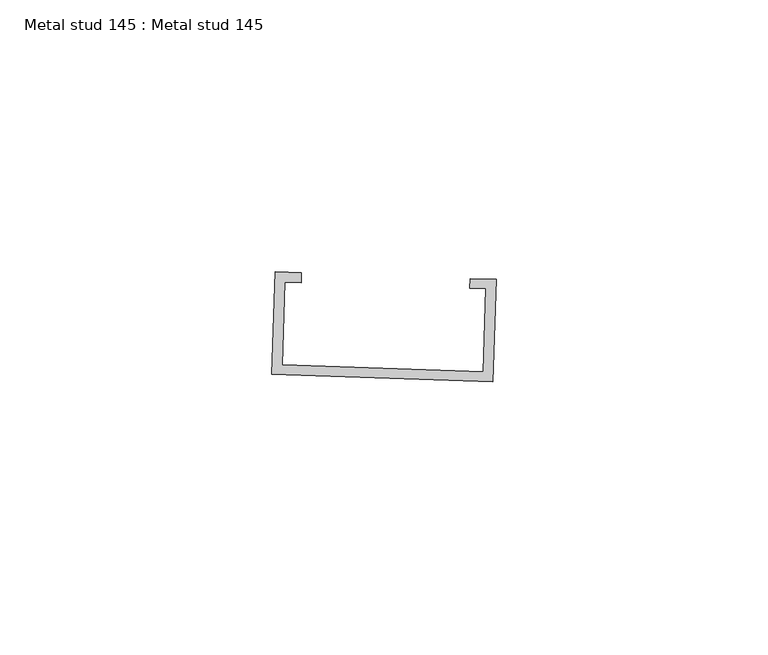
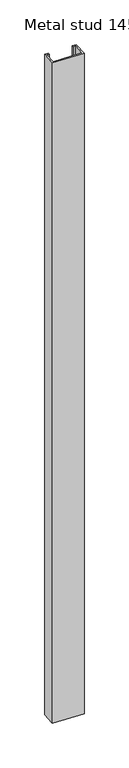
"""IFC4 building model written with IfcOpenShell, lengths in millimetres: proxy geometry, Metal stud 145 : Metal stud 145."""

from ifc_helpers import new_model, si_unit, frame, origin, place, context, project, spatial, polyline, outline, extrude, source, transform, mapped, element, save


def metal_stud_145_metal_stud_145_9f0a7d8d(model_context):
    return source(origin(), model_context, "Body", "SweptSolid", [
        extrude(outline(polyline([(34556.4781621, -15573.7378623), (34557.1227855, -15554.9012329), (34561.9188061, -15555.0653614), (34561.8564813, -15556.8865609), (34558.8816603, -15556.7847572), (34558.3616863, -15571.9789876), (34595.3166156, -15573.2436519), (34595.8365896, -15558.0494215), (34592.8617685, -15557.9476178), (34592.9240932, -15556.1264182), (34597.7201138, -15556.2905467), (34597.0754904, -15575.1271761), (34556.4781621, -15573.7378623)])), frame((0.0, 0.0, 1597.975708), z_axis=(0.0, 0.0, 1.0), x_axis=(1.0, 0.0, 0.0)), (0.0, 0.0, 1.0), 914.4),
    ])


if __name__ == "__main__":
    model = new_model("IFC4")
    model_context = context("Model", 3, world=origin())
    ifc_project = project(units=[si_unit("LENGTHUNIT", "METRE", prefix="MILLI")], contexts=[model_context])
    site = spatial("IfcSite", under=ifc_project)
    building = spatial("IfcBuilding", under=site)
    placement = place(None, origin())
    metal_stud_145_metal_stud_145_shape = metal_stud_145_metal_stud_145_9f0a7d8d(model_context)
    element("IfcBuildingElementProxy", 1, Name="Metal stud 145 : Metal stud 145", ObjectType="Metal stud 145 : Metal stud 145", at=placement, inside=building, context=model_context, shape_type="MappedRepresentation", body=[
        mapped(metal_stud_145_metal_stud_145_shape, transform((0.0, 0.0, 0.0), x_axis=(1.0, 0.0, 0.0), y_axis=(0.0, 1.0, 0.0), z_axis=(0.0, 0.0, 1.0))),
    ])
    save(model, "model.ifc")
